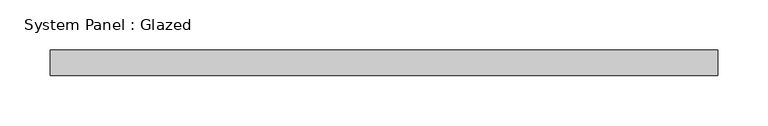
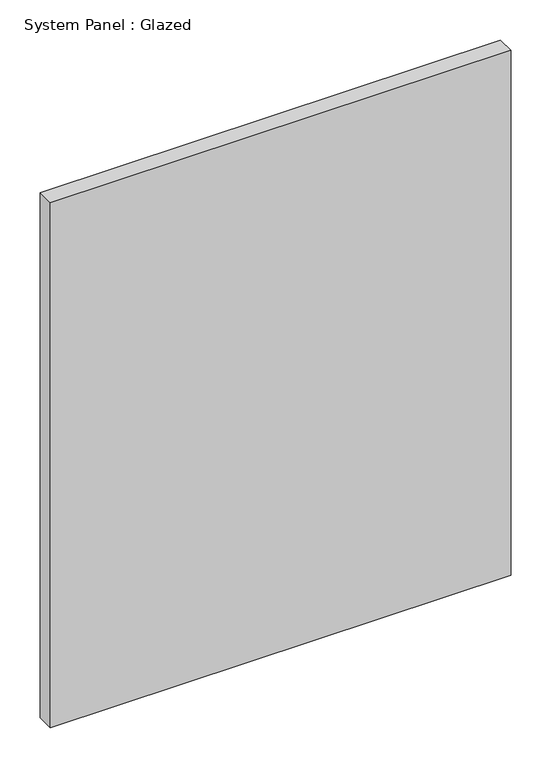
"""IFC4 building model written with IfcOpenShell, lengths in millimetres: plate geometry, System Panel : Glazed."""

from ifc_helpers import new_model, si_unit, origin, origin_with_axes, place, context, project, spatial, polyline, outline, extrude, source, transform, mapped, element, save


def system_panel_glazed_5c2ce14e(model_context):
    return source(origin(), model_context, "Body", "SweptSolid", [
        extrude(outline(polyline([(331.2583333, 19.05), (-331.2583333, 19.05), (-331.2583333, 44.45), (331.2583333, 44.45), (331.2583333, 19.05)])), origin_with_axes(), (0.0, 0.0, 1.0), 798.2857143),
    ])


if __name__ == "__main__":
    model = new_model("IFC4")
    model_context = context("Model", 3, world=origin())
    ifc_project = project(units=[si_unit("LENGTHUNIT", "METRE", prefix="MILLI")], contexts=[model_context])
    site = spatial("IfcSite", under=ifc_project)
    building = spatial("IfcBuilding", under=site)
    placement = place(None, origin())
    system_panel_glazed_shape = system_panel_glazed_5c2ce14e(model_context)
    element("IfcPlate", 1, ObjectType="System Panel : Glazed", at=placement, inside=building, context=model_context, shape_type="MappedRepresentation", body=[
        mapped(system_panel_glazed_shape, transform((0.0, 0.0, 0.0), x_axis=(1.0, 0.0, 0.0), y_axis=(0.0, 1.0, 0.0), z_axis=(0.0, 0.0, 1.0))),
    ])
    save(model, "model.ifc")
